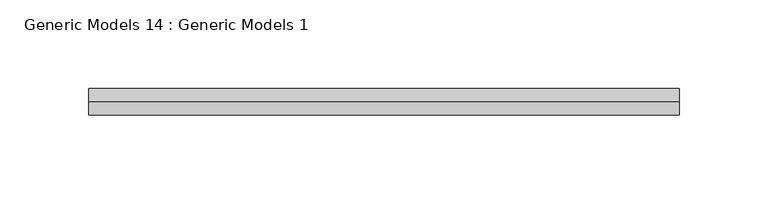
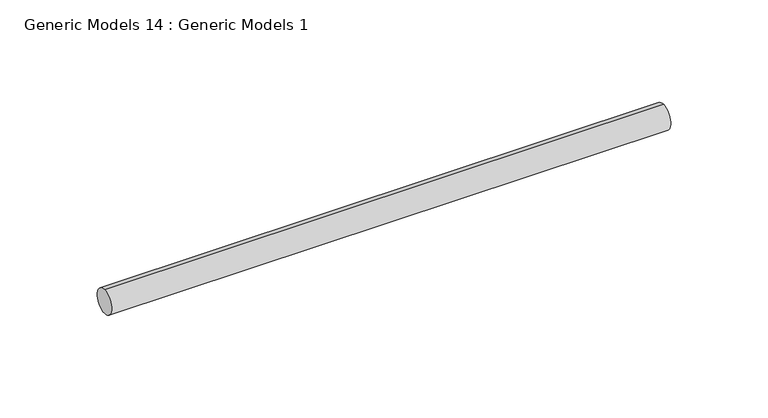
"""IFC4 building model written with IfcOpenShell, lengths in millimetres: proxy geometry, Generic Models 14 : Generic Models 1."""

from ifc_helpers import new_model, si_unit, point, frame, frame_2d, origin, place, context, project, spatial, circle_curve, trimmed, segment, composite_curve, outline, extrude, source, transform, mapped, element, save


def generic_models_14_generic_models_1_2460b984(model_context):
    return source(origin(), model_context, "Body", "SweptSolid", [
        extrude(outline(composite_curve([segment(trimmed(circle_curve(frame_2d((400.3057469, -814.107223)), 7.5), [point((400.3057469, -821.607223))], [point((400.3057469, -806.607223))], False, "CARTESIAN"), True, "CONTINUOUS"), segment(trimmed(circle_curve(frame_2d((400.3057469, -814.107223)), 7.5), [point((400.3057469, -806.607223))], [point((400.3057469, -821.607223))], False, "CARTESIAN"), True, "CONTINUOUS")], self_intersect=False)), frame((4280.2345051, 0.0, 0.0), z_axis=(1.0, 0.0, 0.0), x_axis=(0.0, 1.0, 0.0)), (0.0, 0.0, 1.0), 332.0),
    ])


if __name__ == "__main__":
    model = new_model("IFC4")
    model_context = context("Model", 3, world=origin())
    ifc_project = project(units=[si_unit("LENGTHUNIT", "METRE", prefix="MILLI")], contexts=[model_context])
    site = spatial("IfcSite", under=ifc_project)
    building = spatial("IfcBuilding", under=site)
    placement = place(None, origin())
    generic_models_14_generic_models_1_shape = generic_models_14_generic_models_1_2460b984(model_context)
    element("IfcBuildingElementProxy", 1, Name="Generic Models 14 : Generic Models 1", ObjectType="Generic Models 14 : Generic Models 1", at=placement, inside=building, context=model_context, shape_type="MappedRepresentation", body=[
        mapped(generic_models_14_generic_models_1_shape, transform((0.0, 0.0, 0.0), x_axis=(1.0, 0.0, 0.0), y_axis=(0.0, 1.0, 0.0), z_axis=(0.0, 0.0, 1.0))),
    ])
    save(model, "model.ifc")
